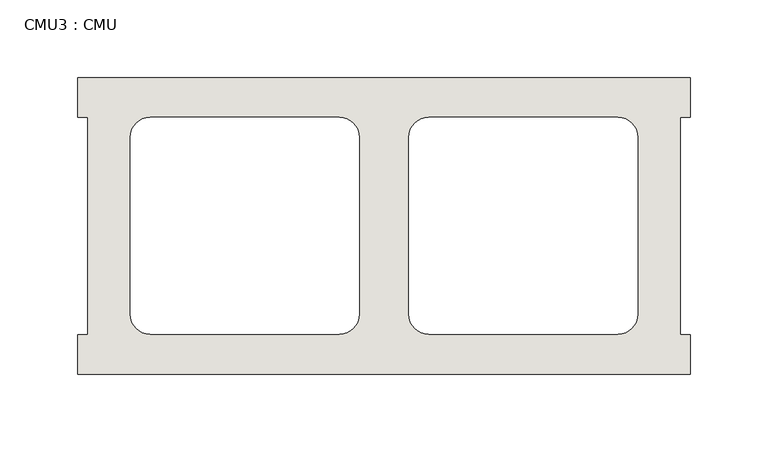
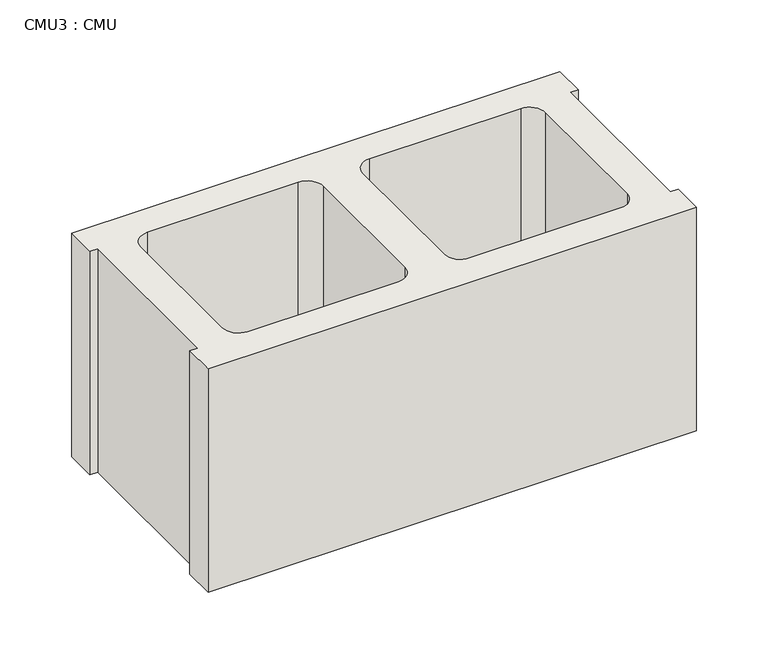
"""IFC4 building model written with IfcOpenShell, lengths in millimetres: wall geometry, CMU3 : CMU."""

from ifc_helpers import new_model, si_unit, point, frame, frame_2d, origin, place, context, project, spatial, polyline, circle_curve, trimmed, segment, composite_curve, outline, extrude, source, transform, mapped, element, save


def cmu3_cmu_6d4e3518(model_context):
    return source(origin(), model_context, "Body", "SweptSolid", [
        extrude(outline(polyline([(877.7602062, 2484.2276522), (1271.4602062, 2484.2276522), (1271.4602062, 2458.8276522), (1265.1102062, 2458.8276522), (1265.1102062, 2319.1276522), (1271.4602062, 2319.1276522), (1271.4602062, 2293.7276522), (877.7602062, 2293.7276522), (877.7602062, 2319.1276522), (884.1102062, 2319.1276522), (884.1102062, 2458.8276522), (877.7602062, 2458.8276522), (877.7602062, 2484.2276522)]), holes=[composite_curve([segment(polyline([(1045.9282049, 2458.8276522), (924.2115548, 2458.8276522)]), True, "CONTINUOUS"), segment(trimmed(circle_curve(frame_2d((924.2115548, 2446.1276522)), 12.7), [point((924.2115548, 2458.8276522))], [point((911.5115548, 2446.1276522))], True, "CARTESIAN"), True, "CONTINUOUS"), segment(polyline([(911.5115548, 2446.1276522), (911.5115548, 2332.0618125)]), True, "CONTINUOUS"), segment(trimmed(circle_curve(frame_2d((924.2115548, 2332.0618125)), 12.7), [point((911.5115548, 2332.0618125))], [point((924.2115548, 2319.3618125))], True, "CARTESIAN"), True, "CONTINUOUS"), segment(polyline([(924.2115548, 2319.3618125), (1045.9282049, 2319.3618125)]), True, "CONTINUOUS"), segment(trimmed(circle_curve(frame_2d((1045.9282049, 2332.0618125)), 12.7), [point((1045.9282049, 2319.3618125))], [point((1058.6282049, 2332.0618125))], True, "CARTESIAN"), True, "CONTINUOUS"), segment(polyline([(1058.6282049, 2332.0618125), (1058.6282049, 2446.1276522)]), True, "CONTINUOUS"), segment(trimmed(circle_curve(frame_2d((1045.9282049, 2446.1276522)), 12.7), [point((1058.6282049, 2446.1276522))], [point((1045.9282049, 2458.8276522))], True, "CARTESIAN"), True, "CONTINUOUS")], self_intersect=False), composite_curve([segment(trimmed(circle_curve(frame_2d((1103.2922075, 2446.1276522)), 12.7), [point((1103.2922075, 2458.8276522))], [point((1090.5922075, 2446.1276522))], True, "CARTESIAN"), True, "CONTINUOUS"), segment(polyline([(1090.5922075, 2446.1276522), (1090.5922075, 2332.0618125)]), True, "CONTINUOUS"), segment(trimmed(circle_curve(frame_2d((1103.2922075, 2332.0618125)), 12.7), [point((1090.5922075, 2332.0618125))], [point((1103.2922075, 2319.3618125))], True, "CARTESIAN"), True, "CONTINUOUS"), segment(polyline([(1103.2922075, 2319.3618125), (1225.0088576, 2319.3618125)]), True, "CONTINUOUS"), segment(trimmed(circle_curve(frame_2d((1225.0088576, 2332.0618125)), 12.7), [point((1225.0088576, 2319.3618125))], [point((1237.7088576, 2332.0618125))], True, "CARTESIAN"), True, "CONTINUOUS"), segment(polyline([(1237.7088576, 2332.0618125), (1237.7088576, 2446.1276522)]), True, "CONTINUOUS"), segment(trimmed(circle_curve(frame_2d((1225.0088576, 2446.1276522)), 12.7), [point((1237.7088576, 2446.1276522))], [point((1225.0088576, 2458.8276522))], True, "CARTESIAN"), True, "CONTINUOUS"), segment(polyline([(1225.0088576, 2458.8276522), (1103.2922075, 2458.8276522)]), True, "CONTINUOUS")], self_intersect=False)]), frame((0.0, 0.0, 520.7), z_axis=(0.0, 0.0, 1.0), x_axis=(1.0, 0.0, 0.0)), (0.0, 0.0, 1.0), 190.5),
    ])


if __name__ == "__main__":
    model = new_model("IFC4")
    model_context = context("Model", 3, world=origin())
    ifc_project = project(units=[si_unit("LENGTHUNIT", "METRE", prefix="MILLI")], contexts=[model_context])
    site = spatial("IfcSite", under=ifc_project)
    building = spatial("IfcBuilding", under=site)
    placement = place(None, origin())
    cmu3_cmu_shape = cmu3_cmu_6d4e3518(model_context)
    element("IfcWall", 1, ObjectType="CMU3 : CMU", at=placement, inside=building, context=model_context, shape_type="MappedRepresentation", body=[
        mapped(cmu3_cmu_shape, transform((0.0, 0.0, 0.0), x_axis=(1.0, 0.0, 0.0), y_axis=(0.0, 1.0, 0.0), z_axis=(0.0, 0.0, 1.0))),
    ])
    save(model, "model.ifc")
